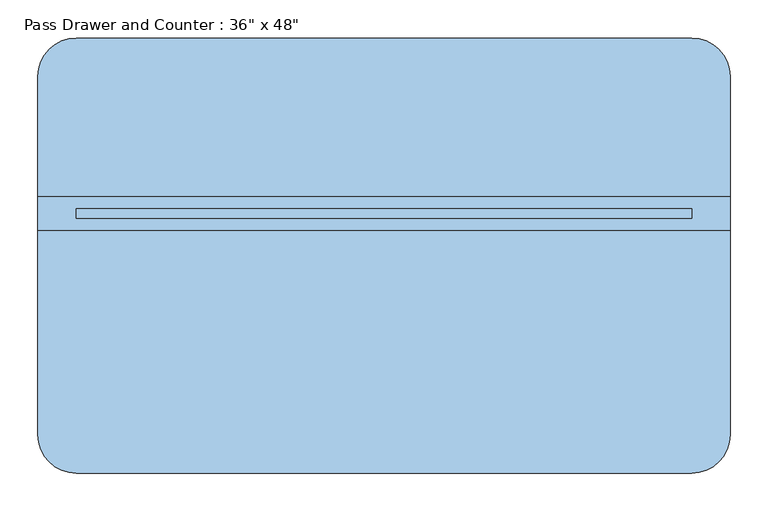
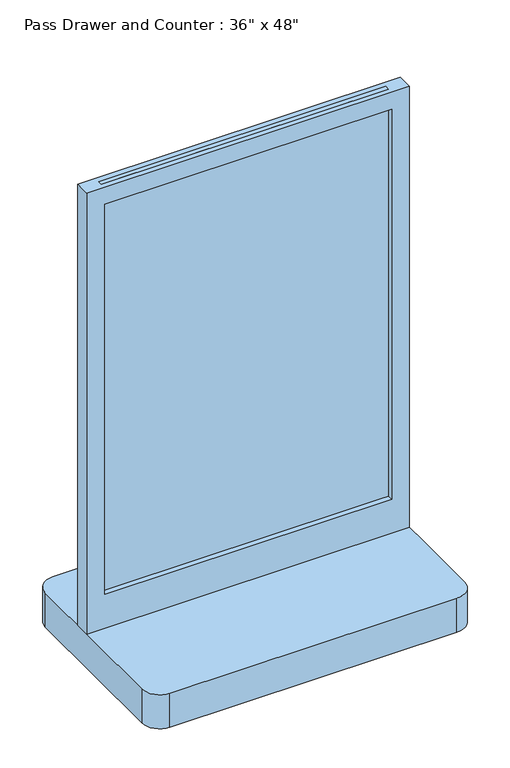
"""IFC4 building model written with IfcOpenShell, lengths in millimetres: window geometry."""

from ifc_helpers import new_model, si_unit, point, frame, frame_2d, origin, place, context, project, spatial, polyline, circle_curve, trimmed, segment, composite_curve, outline, extrude, source, transform, mapped, element, save


def window_51c9a2c9(model_context):
    return source(origin(), model_context, "Body", "SweptSolid", [
        extrude(outline(polyline([(368.3, 49.2125), (-444.5, 49.2125), (-444.5, 61.9125), (368.3, 61.9125), (368.3, 49.2125)])), frame((0.0, 0.0, 1016.0), z_axis=(0.0, 0.0, 1.0), x_axis=(1.0, 0.0, 0.0)), (0.0, 0.0, 1.0), 1219.2),
        extrude(outline(polyline([(2235.2, -495.3), (914.4, -495.3), (914.4, 419.1), (2235.2, 419.1), (2235.2, -495.3)]), holes=[polyline([(2184.4, -444.5), (2184.4, 368.3), (1016.0, 368.3), (1016.0, -444.5), (2184.4, -444.5)])]), frame((0.0, 33.3375, 0.0), z_axis=(0.0, 1.0, 0.0), x_axis=(0.0, 0.0, 1.0)), (0.0, 0.0, 1.0), 44.45),
        extrude(outline(composite_curve([segment(trimmed(circle_curve(frame_2d((368.3, 236.5375)), 50.8), [point((368.3, 287.3375))], [point((419.1, 236.5375))], False, "CARTESIAN"), True, "CONTINUOUS"), segment(polyline([(419.1, 236.5375), (419.1, -236.5375)]), True, "CONTINUOUS"), segment(trimmed(circle_curve(frame_2d((368.3, -236.5375)), 50.8), [point((419.1, -236.5375))], [point((368.3, -287.3375))], False, "CARTESIAN"), True, "CONTINUOUS"), segment(polyline([(368.3, -287.3375), (-444.5, -287.3375)]), True, "CONTINUOUS"), segment(trimmed(circle_curve(frame_2d((-444.5, -236.5375)), 50.8), [point((-444.5, -287.3375))], [point((-495.3, -236.5375))], False, "CARTESIAN"), True, "CONTINUOUS"), segment(polyline([(-495.3, -236.5375), (-495.3, 236.5375)]), True, "CONTINUOUS"), segment(trimmed(circle_curve(frame_2d((-444.5, 236.5375)), 50.8), [point((-495.3, 236.5375))], [point((-444.5, 287.3375))], False, "CARTESIAN"), True, "CONTINUOUS"), segment(polyline([(-444.5, 287.3375), (368.3, 287.3375)]), True, "CONTINUOUS")], self_intersect=False)), frame((0.0, 0.0, 812.8), z_axis=(0.0, 0.0, 1.0), x_axis=(1.0, 0.0, 0.0)), (0.0, 0.0, 1.0), 101.6),
    ])


if __name__ == "__main__":
    model = new_model("IFC4")
    model_context = context("Model", 3, world=origin())
    ifc_project = project(units=[si_unit("LENGTHUNIT", "METRE", prefix="MILLI")], contexts=[model_context])
    site = spatial("IfcSite", under=ifc_project)
    building = spatial("IfcBuilding", under=site)
    placement = place(None, origin())
    window_shape = window_51c9a2c9(model_context)
    element("IfcWindow", 1, ObjectType="Pass Drawer and Counter : 36\" x 48\"", at=placement, inside=building, context=model_context, shape_type="MappedRepresentation", body=[
        mapped(window_shape, transform((0.0, 0.0, 0.0), x_axis=(1.0, 0.0, 0.0), y_axis=(0.0, 1.0, 0.0), z_axis=(0.0, 0.0, 1.0))),
    ])
    save(model, "model.ifc")
